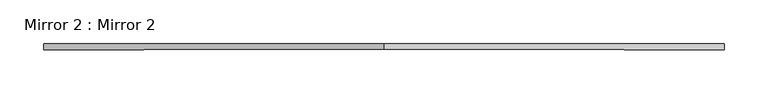
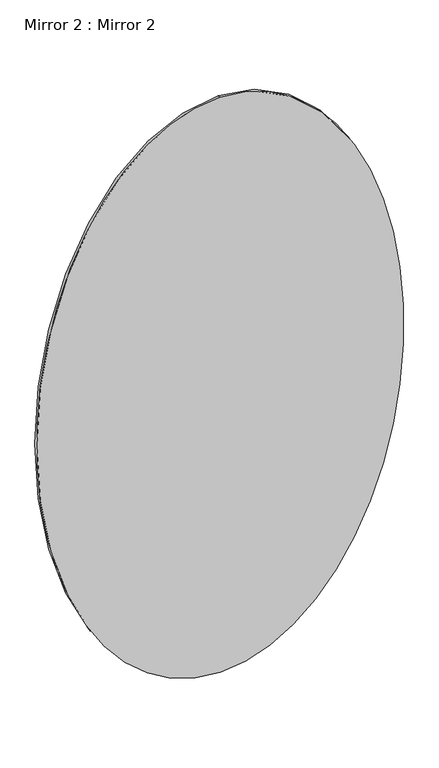
"""IFC4 building model written with IfcOpenShell, lengths in millimetres: proxy geometry, Mirror 2 : Mirror 2."""

import ifcopenshell
import ifcopenshell.guid

model = None  # the IFC model being written
_history = None  # IfcOwnerHistory: only IFC2X3 demands one
_inside = {}  # id of a spatial element -> (the spatial element, [elements in it])
_under = {}  # id of a project, library or spatial element -> (it, [spatial elements below it])
_declared = {}  # id of a project -> (the project, [libraries it declares])
_typed = {}  # id of a type object -> (the type object, [elements of that type])
_made_of = {}  # id of a material, layer set ... -> (it, [elements and type objects made of it])


def new_model(schema):
    """Start an empty IFC model of exactly this schema.

    Asked for "IFC4X3", IfcOpenShell would pick the latest addendum, in which some entities
    have other attributes; the version numbers below select the first issue.
    IFC2X3 requires an IfcOwnerHistory on every rooted entity: one is made here for all.
    """
    global model, _history
    if schema == "IFC4X3":
        model = ifcopenshell.file(schema_version=(4, 3, 0, 0))
    else:
        model = ifcopenshell.file(schema=schema)
    _inside.clear()
    _under.clear()
    _declared.clear()
    _typed.clear()
    _made_of.clear()
    _history = None
    if model.schema == "IFC2X3":
        org = make("IfcOrganization", Name="unknown")
        user = make(
            "IfcPersonAndOrganization",
            ThePerson=make("IfcPerson", FamilyName="unknown"),
            TheOrganization=org,
        )
        app = make(
            "IfcApplication",
            ApplicationDeveloper=org,
            Version="unknown",
            ApplicationFullName="unknown",
            ApplicationIdentifier="unknown",
        )
        _history = make(
            "IfcOwnerHistory",
            OwningUser=user,
            OwningApplication=app,
            ChangeAction="ADDED",
            CreationDate=0,
        )
    return model


def make(cls, **values):
    """One entity of the class cls with the attributes given. An attribute that is None is left unset."""
    return model.create_entity(
        cls, **{name: value for name, value in values.items() if value is not None}
    )


def rooted(cls, **values):
    """An entity with a GlobalId (a new one), such as an element, a storey or a relation."""
    return make(cls, GlobalId=ifcopenshell.guid.new(), OwnerHistory=_history, **values)


def si_unit(unit_type, name, prefix=None):
    """IfcSIUnit, for example si_unit("LENGTHUNIT", "METRE", prefix="MILLI")."""
    return make("IfcSIUnit", UnitType=unit_type, Prefix=prefix, Name=name)


def assignment(units):
    """IfcUnitAssignment: the units of a project."""
    return None if units is None else make("IfcUnitAssignment", Units=units)


def point(xyz):
    """IfcCartesianPoint."""
    return None if xyz is None else make("IfcCartesianPoint", Coordinates=xyz)


def direction(xyz):
    """IfcDirection."""
    return None if xyz is None else make("IfcDirection", DirectionRatios=xyz)


def frame(location, z_axis=None, x_axis=None):
    """IfcAxis2Placement3D, a coordinate frame: its origin and axes. An axis left out is left unset."""
    return make(
        "IfcAxis2Placement3D",
        Location=point(location),
        Axis=direction(z_axis),
        RefDirection=direction(x_axis),
    )


def origin():
    """The frame at (0, 0, 0) with its axes left unset."""
    return frame((0.0, 0.0, 0.0))


def place(relative_to, where):
    """IfcLocalPlacement: puts the frame where relative to a parent placement (None: the world)."""
    return make(
        "IfcLocalPlacement", PlacementRelTo=relative_to, RelativePlacement=where
    )


def context(
    kind, dimensions, precision=None, world=None, true_north=None, identifier=None
):
    """IfcGeometricRepresentationContext, for example the 3D "Model" context."""
    return make(
        "IfcGeometricRepresentationContext",
        ContextIdentifier=identifier,
        ContextType=kind,
        CoordinateSpaceDimension=dimensions,
        Precision=precision,
        WorldCoordinateSystem=world,
        TrueNorth=true_north,
    )


def project(units=None, contexts=None):
    """IfcProject with its units and contexts."""
    return rooted(
        "IfcProject",
        Name="project",
        RepresentationContexts=contexts,
        UnitsInContext=assignment(units),
    )


def spatial(cls, under=None, at=None, **own):
    """A site, building, storey or space (cls), placed at a placement, below another one or the project."""
    s = rooted(cls, ObjectPlacement=at, **own)
    if under is not None:
        _under.setdefault(under.id(), (under, []))[1].append(s)
    return s


def ellipse_curve(where, semi_axis1, semi_axis2):
    """IfcEllipse in the frame where."""
    return make(
        "IfcEllipse", Position=where, SemiAxis1=semi_axis1, SemiAxis2=semi_axis2
    )


def trimmed(basis, trim1, trim2, sense, master):
    """IfcTrimmedCurve: the piece of a basis curve between two trims."""
    return make(
        "IfcTrimmedCurve",
        BasisCurve=basis,
        Trim1=trim1,
        Trim2=trim2,
        SenseAgreement=sense,
        MasterRepresentation=master,
    )


def shape(context_of_items, identifier, shape_type, items):
    """IfcShapeRepresentation: the items that make up one representation, for example the "Body"."""
    return make(
        "IfcShapeRepresentation",
        ContextOfItems=context_of_items,
        RepresentationIdentifier=identifier,
        RepresentationType=shape_type,
        Items=items,
    )


def source(mapping_origin, context_of_items, identifier, shape_type, items):
    """IfcRepresentationMap: a shape defined once, which mapped items show again and again."""
    return make(
        "IfcRepresentationMap",
        MappingOrigin=mapping_origin,
        MappedRepresentation=shape(context_of_items, identifier, shape_type, items),
    )


def transform(
    local_origin,
    x_axis=None,
    y_axis=None,
    z_axis=None,
    scale=None,
    scale2=None,
    scale3=None,
    uniform=True,
):
    """IfcCartesianTransformationOperator3D, or its non-uniform kind. x_axis, y_axis, z_axis: its Axis1, 2, 3."""
    if uniform:
        return make(
            "IfcCartesianTransformationOperator3D",
            Axis1=direction(x_axis),
            Axis2=direction(y_axis),
            LocalOrigin=point(local_origin),
            Scale=scale,
            Axis3=direction(z_axis),
        )
    return make(
        "IfcCartesianTransformationOperator3DnonUniform",
        Axis1=direction(x_axis),
        Axis2=direction(y_axis),
        LocalOrigin=point(local_origin),
        Scale=scale,
        Axis3=direction(z_axis),
        Scale2=scale2,
        Scale3=scale3,
    )


def mapped(mapping_source, mapping_target):
    """IfcMappedItem: shows the shape of a source again, moved by a transform."""
    return make(
        "IfcMappedItem", MappingSource=mapping_source, MappingTarget=mapping_target
    )


def made_of(thing, what):
    """Note that an element or type object is made of a material, layer set ...; save() writes the relation."""
    if what is not None:
        _made_of.setdefault(what.id(), (what, []))[1].append(thing)
    return thing


def element(
    cls,
    number,
    at=None,
    inside=None,
    cuts=None,
    type_object=None,
    material=None,
    context=None,
    identifier="Body",
    shape_type=None,
    held_by="IfcProductDefinitionShape",
    body=None,
    shapes=None,
    **own,
):
    """One element of the class cls, such as IfcWall. Its Tag is "e" and its number.

    at: its placement. inside: the storey or other place that contains it. cuts: it is an
    opening in that element (IfcRelVoidsElement). A single representation is given by context,
    identifier, shape_type and body (its items); several are given by shapes. held_by: the class
    of the entity that holds the representations. save() writes the other relations.
    """
    e = rooted(cls, Tag="e%d" % number, ObjectPlacement=at, **own)
    if body is not None:
        shapes = [shape(context, identifier, shape_type, body)]
    if shapes is not None:
        e.Representation = make(held_by, Representations=shapes)
    if inside is not None:
        _inside.setdefault(inside.id(), (inside, []))[1].append(e)
    if cuts is not None:
        rooted(
            "IfcRelVoidsElement", RelatingBuildingElement=cuts, RelatedOpeningElement=e
        )
    if type_object is not None:
        _typed.setdefault(type_object.id(), (type_object, []))[1].append(e)
    return made_of(e, material)


def aggregate(whole, parts):
    """IfcRelAggregates: a whole, such as a stair, and the parts it consists of."""
    return rooted("IfcRelAggregates", RelatingObject=whole, RelatedObjects=parts)


def save(model, path):
    """Write the relations noted so far, then the file.

    IfcRelAggregates (storeys below a building ...), IfcRelContainedInSpatialStructure (elements
    in a storey), IfcRelDefinesByType, IfcRelAssociatesMaterial and IfcRelDeclares: one each for
    every whole, place, type object, material and project.
    """
    for whole, parts in _under.values():
        aggregate(whole, parts)
    for where, things in _inside.values():
        rooted(
            "IfcRelContainedInSpatialStructure",
            RelatedElements=things,
            RelatingStructure=where,
        )
    for kind, things in _typed.values():
        rooted("IfcRelDefinesByType", RelatedObjects=things, RelatingType=kind)
    for what, things in _made_of.values():
        rooted("IfcRelAssociatesMaterial", RelatedObjects=things, RelatingMaterial=what)
    for by, libraries in _declared.values():
        rooted("IfcRelDeclares", RelatingContext=by, RelatedDefinitions=libraries)
    model.write(path)


def plane_surface(at):
    """IfcPlane: the flat surface through the origin of the frame at, square to its z axis."""
    return make("IfcPlane", Position=at)


def extruded_surface(curve, direction_of_extrusion, depth):
    """IfcSurfaceOfLinearExtrusion: the curve pushed along a direction by depth."""
    return make(
        "IfcSurfaceOfLinearExtrusion",
        SweptCurve=make("IfcArbitraryOpenProfileDef", ProfileType="CURVE", Curve=curve),
        ExtrudedDirection=direction(direction_of_extrusion),
        Depth=depth,
    )


def advanced_brep(points, edges, surfaces, faces):
    """IfcAdvancedBrep: a solid bounded by faces that lie on surfaces and meet in shared edges.

    An edge is (start, end): straight between two places in points (the first is 0);
    or (start, end, curve); or (start, end, curve, False) where it runs against its curve.
    A face is (place in surfaces, loops), or (place, loops, False) where it looks against
    its surface's normal. A loop lists edges by number (the first is 1), with a minus sign
    where the edge is run from its end to its start. The first loop is the outer one.
    """
    corners = [point(p) for p in points]
    vertices = [make("IfcVertexPoint", VertexGeometry=c) for c in corners]
    made = []
    for start, end, *more in edges:
        made.append(
            make(
                "IfcEdgeCurve",
                EdgeStart=vertices[start],
                EdgeEnd=vertices[end],
                EdgeGeometry=more[0] if more else make("IfcPolyline", Points=[corners[start], corners[end]]),
                SameSense=more[1] if len(more) > 1 else True,
            )
        )
    hull = []
    for where, loops, *sense in faces:
        bounds = []
        for j, loop in enumerate(loops):
            ring = [make("IfcOrientedEdge", EdgeElement=made[abs(k) - 1], Orientation=k > 0) for k in loop]
            bounds.append(
                make(
                    "IfcFaceOuterBound" if j == 0 else "IfcFaceBound",
                    Bound=make("IfcEdgeLoop", EdgeList=ring),
                    Orientation=True,
                )
            )
        hull.append(make("IfcAdvancedFace", Bounds=bounds, FaceSurface=surfaces[where], SameSense=sense[0] if sense else True))
    return make("IfcAdvancedBrep", Outer=make("IfcClosedShell", CfsFaces=hull))


def mirror_2_mirror_2_47a9ec2c(model_context):
    return source(origin(), model_context, "Body", "AdvancedBrep", [
        advanced_brep(
        [(-5019.0340391, 8034.5751285, 5237.2419193), (-5019.0340391, 8034.5751285, 3954.5419193), (-5019.0340391, 8028.2251285, 5237.2419193), (-5019.0340391, 8028.2251285, 3954.5419193)],
        [
            (0, 1, ellipse_curve(frame((-5019.0340391, 8034.5751285, 4595.8919193), z_axis=(0.0, 1.0, 0.0), x_axis=(0.0, 0.0, -1.0)), 641.35, 387.35)),
            (1, 0, ellipse_curve(frame((-5019.0340391, 8034.5751285, 4595.8919193), z_axis=(0.0, 1.0, 0.0), x_axis=(0.0, 0.0, -1.0)), 641.35, 387.35)),
            (2, 3, ellipse_curve(frame((-5019.0340391, 8028.2251285, 4595.8919193), z_axis=(0.0, -1.0, 0.0), x_axis=(0.0, 0.0, -1.0)), 641.35, 387.35)),
            (3, 2, ellipse_curve(frame((-5019.0340391, 8028.2251285, 4595.8919193), z_axis=(0.0, -1.0, 0.0), x_axis=(0.0, 0.0, -1.0)), 641.35, 387.35)),
            (0, 2),
            (3, 1),
        ],
        [
            plane_surface(frame((-5019.0340391, 8034.5751285, 3954.5419193), z_axis=(0.0, 1.0, 0.0), x_axis=(-1.0, 0.0, 0.0))),
            plane_surface(frame((-5019.0340391, 8028.2251285, 3954.5419193), z_axis=(0.0, -1.0, 0.0), x_axis=(1.0, 0.0, 0.0))),
            extruded_surface(trimmed(ellipse_curve(frame((-5019.0340391, 8021.8751285, 4595.8919193), z_axis=(0.0, 1.0, 0.0), x_axis=(0.0, 0.0, -1.0)), 641.35, 387.35), [point((-5019.0340391, 8021.8751285, 5237.2419193))], [point((-5019.0340391, 8021.8751285, 3954.5419193))], True, "CARTESIAN"), (0.0, 6.350000000000364, 0.0), 6.350000000000364),
            extruded_surface(trimmed(ellipse_curve(frame((-5019.0340391, 8021.8751285, 4595.8919193), z_axis=(0.0, 1.0, 0.0), x_axis=(0.0, 0.0, -1.0)), 641.35, 387.35), [point((-5019.0340391, 8021.8751285, 3954.5419193))], [point((-5019.0340391, 8021.8751285, 5237.2419193))], True, "CARTESIAN"), (0.0, 6.350000000000364, 0.0), 6.350000000000364),
        ],
        [
            (0, [[1, 2]]),
            (1, [[3, 4]]),
            (2, [[-1, 5, -4, 6]]),
            (3, [[-2, -6, -3, -5]]),
        ],
    ),
    ])


if __name__ == "__main__":
    model = new_model("IFC4")
    model_context = context("Model", 3, world=origin())
    ifc_project = project(units=[si_unit("LENGTHUNIT", "METRE", prefix="MILLI")], contexts=[model_context])
    site = spatial("IfcSite", under=ifc_project)
    building = spatial("IfcBuilding", under=site)
    placement = place(None, origin())
    mirror_2_mirror_2_shape = mirror_2_mirror_2_47a9ec2c(model_context)
    element("IfcBuildingElementProxy", 1, Name="Mirror 2 : Mirror 2", ObjectType="Mirror 2 : Mirror 2", at=placement, inside=building, context=model_context, shape_type="MappedRepresentation", body=[
        mapped(mirror_2_mirror_2_shape, transform((0.0, 0.0, 0.0), x_axis=(1.0, 0.0, 0.0), y_axis=(0.0, 1.0, 0.0), z_axis=(0.0, 0.0, 1.0))),
    ])
    save(model, "model.ifc")
